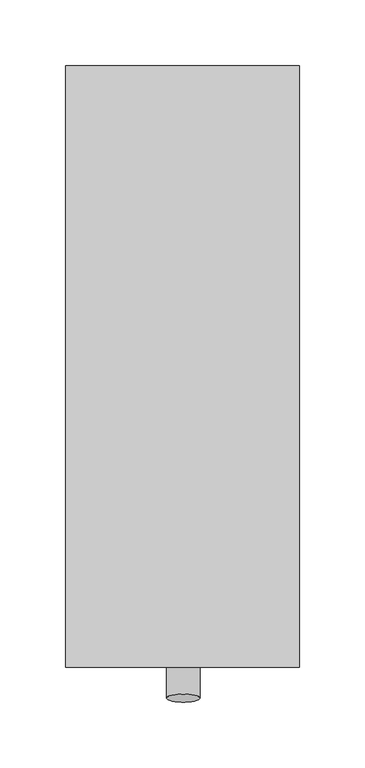
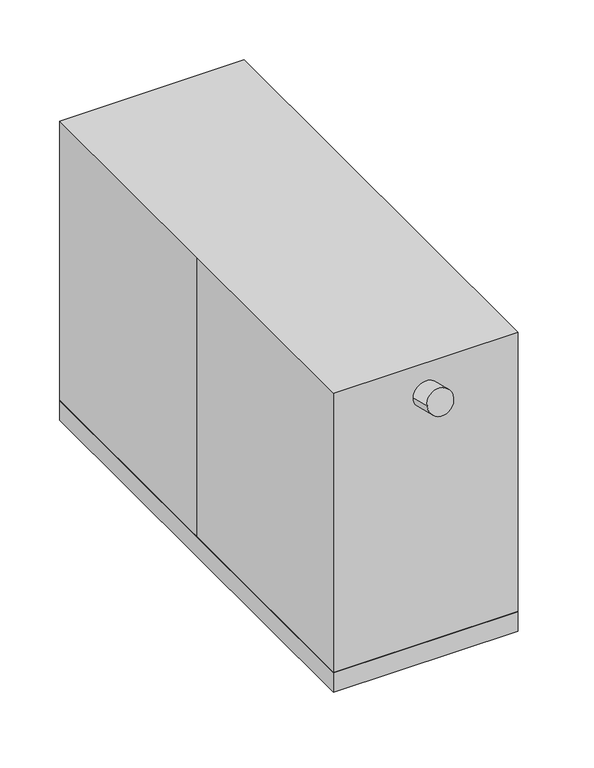
"""IFC4 building model written with IfcOpenShell, lengths in millimetres: proxy geometry."""

from ifc_helpers import new_model, si_unit, point, frame, frame_2d, origin, origin_with_axes, place, context, project, spatial, polyline, circle_curve, trimmed, segment, composite_curve, outline, extrude, source, transform, mapped, element, save


def specialty_equipment_8bb7a298(model_context):
    return source(origin(), model_context, "Body", "SweptSolid", [
        extrude(outline(composite_curve([segment(trimmed(circle_curve(frame_2d((12.7, 133.35)), 50.8), [point((-38.1, 133.35))], [point((63.5, 133.35))], False, "CARTESIAN"), True, "CONTINUOUS"), segment(trimmed(circle_curve(frame_2d((12.7, 133.35)), 50.8), [point((63.5, 133.35))], [point((-38.1, 133.35))], False, "CARTESIAN"), True, "CONTINUOUS")], self_intersect=False)), frame((31.75, 0.0, 0.0), z_axis=(1.0, 0.0, 0.0), x_axis=(0.0, 1.0, 0.0)), (0.0, 0.0, 1.0), 13.3872315),
        extrude(outline(composite_curve([segment(trimmed(circle_curve(frame_2d((0.0, -12.7)), 12.7), [point((0.0, -25.4))], [point((0.0, 0.0))], False, "CARTESIAN"), True, "CONTINUOUS"), segment(trimmed(circle_curve(frame_2d((0.0, -12.7)), 12.7), [point((0.0, 0.0))], [point((0.0, -25.4))], False, "CARTESIAN"), True, "CONTINUOUS")], self_intersect=False)), frame((13.2747856, -61.6577203, 231.1203663), z_axis=(0.0, -0.9702957262759947, 0.24192189559967492), x_axis=(0.0, -0.24192189559967492, -0.9702957262759947)), (0.0, 0.0, 1.0), 196.1933103),
        extrude(outline(composite_curve([segment(polyline([(-66.675, 0.0), (-66.675, -50.8), (-101.6, -50.8)]), True, "CONTINUOUS"), segment(trimmed(circle_curve(frame_2d((-101.6, -25.4)), 25.4), [point((-101.6, -50.8))], [point((-101.6, 0.0))], False, "CARTESIAN"), True, "CONTINUOUS"), segment(polyline([(-101.6, 0.0), (-66.675, 0.0)]), True, "CONTINUOUS")], self_intersect=False)), frame((25.4, -164.7102118, 146.6987733), z_axis=(0.0, -0.9702957262759947, 0.24192189559967486), x_axis=(0.0, -0.24192189559967486, -0.9702957262759947)), (0.0, 0.0, 1.0), 55.4771038),
        extrude(outline(polyline([(-103.8272204, 200.2351024), (-115.753851, 152.4), (-205.4816743, 212.4916113), (-202.4092662, 224.814367), (-103.8272204, 200.2351024)])), frame((-17.5867253, 0.0, 0.0), z_axis=(1.0, 0.0, 0.0), x_axis=(0.0, 1.0, 0.0)), (0.0, 0.0, 1.0), 34.4084483),
        extrude(outline(composite_curve([segment(polyline([(0.0, 0.0), (0.0, -63.5), (-101.6, -63.5)]), True, "CONTINUOUS"), segment(trimmed(circle_curve(frame_2d((-101.6, -31.75)), 31.75), [point((-101.6, -63.5))], [point((-101.6, 0.0))], False, "CARTESIAN"), True, "CONTINUOUS"), segment(polyline([(-101.6, 0.0), (0.0, 0.0)]), True, "CONTINUOUS")], self_intersect=False)), frame((31.75, 172.7778738, 62.553543), z_axis=(0.0, -0.9702957262759947, 0.24192189559967486), x_axis=(0.0, -0.24192189559967486, -0.9702957262759947)), (0.0, 0.0, 1.0), 301.6969246),
        extrude(outline(polyline([(165.1, 108.8837145), (165.1, 19.9837145), (-114.3, 19.9837145), (-57.15, 77.1337145), (114.3, 77.1337145), (114.3, 108.8837145), (165.1, 108.8837145)])), frame((-63.5, 0.0, 0.0), z_axis=(1.0, 0.0, 0.0), x_axis=(0.0, 1.0, 0.0)), (0.0, 0.0, 1.0), 127.0),
        extrude(outline(polyline([(88.9, 228.6), (88.9, -228.6), (-88.9, -228.6), (-88.9, 228.6), (88.9, 228.6)])), origin_with_axes(), (0.0, 0.0, 1.0), 19.9837145),
        extrude(outline(polyline([(-88.9, 228.6), (88.9, 228.6), (88.9, -228.6), (-88.9, -228.6), (-88.9, 0.0), (-88.9, 228.6)])), origin_with_axes(), (0.0, 0.0, 1.0), 304.8),
    ])


if __name__ == "__main__":
    model = new_model("IFC4")
    model_context = context("Model", 3, world=origin())
    ifc_project = project(units=[si_unit("LENGTHUNIT", "METRE", prefix="MILLI")], contexts=[model_context])
    site = spatial("IfcSite", under=ifc_project)
    building = spatial("IfcBuilding", under=site)
    placement = place(None, origin())
    specialty_equipment_shape = specialty_equipment_8bb7a298(model_context)
    element("IfcBuildingElementProxy", 1, Name="Specialty Equipment", at=placement, inside=building, context=model_context, shape_type="MappedRepresentation", body=[
        mapped(specialty_equipment_shape, transform((0.0, 0.0, 0.0), x_axis=(1.0, 0.0, 0.0), y_axis=(0.0, 1.0, 0.0), z_axis=(0.0, 0.0, 1.0))),
    ])
    save(model, "model.ifc")
